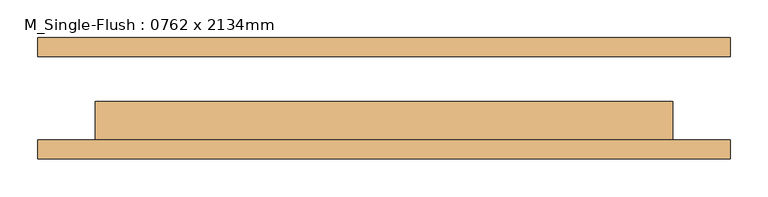
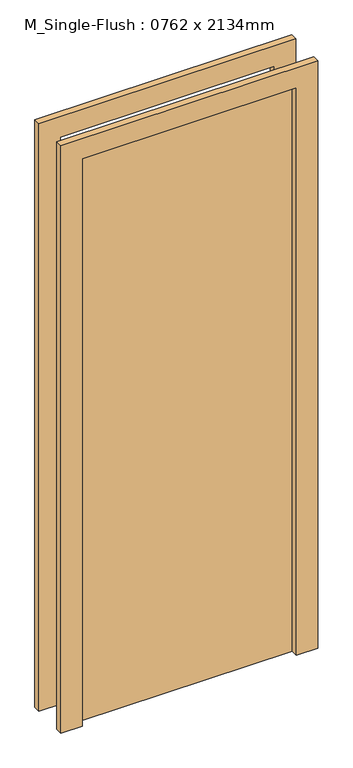
"""IFC4 building model written with IfcOpenShell, lengths in millimetres: door geometry, M_Single-Flush : 0762 x 2134mm."""

from ifc_helpers import new_model, si_unit, frame, origin, origin_with_axes, place, context, project, spatial, polyline, outline, extrude, source, transform, mapped, element, save


def m_single_flush_0762_x_2134mm_bffea5ba(model_context):
    return source(origin(), model_context, "Body", "SweptSolid", [
        extrude(outline(polyline([(2210.0, -457.0), (0.0, -457.0), (0.0, -381.0), (2134.0, -381.0), (2134.0, 381.0), (0.0, 381.0), (0.0, 457.0), (2210.0, 457.0), (2210.0, -457.0)])), frame((0.0, -80.0, 0.0), z_axis=(0.0, 1.0, 0.0), x_axis=(0.0, 0.0, 1.0)), (0.0, 0.0, 1.0), 25.0),
        extrude(outline(polyline([(2210.0, 457.0), (2210.0, -457.0), (0.0, -457.0), (0.0, -381.0), (2134.0, -381.0), (2134.0, 381.0), (0.0, 381.0), (0.0, 457.0), (2210.0, 457.0)])), frame((0.0, 55.0, 0.0), z_axis=(0.0, 1.0, 0.0), x_axis=(0.0, 0.0, 1.0)), (0.0, 0.0, 1.0), 25.0),
        extrude(outline(polyline([(381.0, -4.0), (381.0, -55.0), (-381.0, -55.0), (-381.0, -4.0), (381.0, -4.0)])), origin_with_axes(), (0.0, 0.0, 1.0), 2134.0),
    ])


if __name__ == "__main__":
    model = new_model("IFC4")
    model_context = context("Model", 3, world=origin())
    ifc_project = project(units=[si_unit("LENGTHUNIT", "METRE", prefix="MILLI")], contexts=[model_context])
    site = spatial("IfcSite", under=ifc_project)
    building = spatial("IfcBuilding", under=site)
    placement = place(None, origin())
    m_single_flush_0762_x_2134mm_shape = m_single_flush_0762_x_2134mm_bffea5ba(model_context)
    element("IfcDoor", 1, ObjectType="M_Single-Flush : 0762 x 2134mm", at=placement, inside=building, context=model_context, shape_type="MappedRepresentation", body=[
        mapped(m_single_flush_0762_x_2134mm_shape, transform((0.0, 0.0, 0.0), x_axis=(1.0, 0.0, 0.0), y_axis=(0.0, 1.0, 0.0), z_axis=(0.0, 0.0, 1.0))),
    ])
    save(model, "model.ifc")
